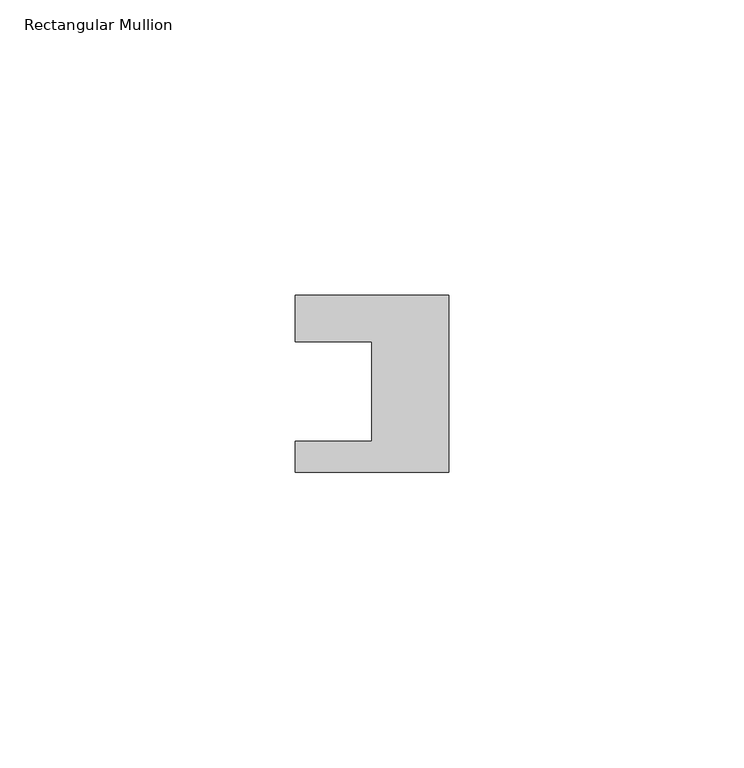
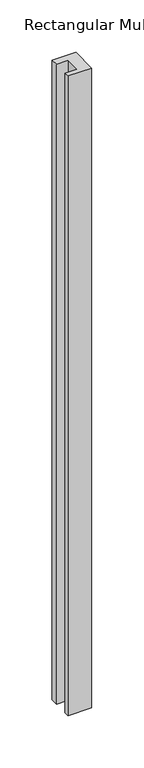
"""IFC4 building model written with IfcOpenShell, lengths in millimetres: member geometry, Rectangular Mullion."""

from ifc_helpers import new_model, si_unit, frame, origin, place, context, project, spatial, polyline, outline, extrude, source, transform, mapped, element, save


def rectangular_mullion_659e47c2(model_context):
    return source(origin(), model_context, "Body", "SweptSolid", [
        extrude(outline(polyline([(-26.0, 0.001), (-26.0, 7.94), (0.0, 7.94), (0.0, -22.06), (-26.0, -22.06), (-26.0, -16.8), (-13.0, -16.8), (-13.0, 0.001), (-26.0, 0.001)])), frame((0.0, 0.0, -745.0561012), z_axis=(0.0, 0.0, 1.0), x_axis=(1.0, 0.0, 0.0)), (0.0, 0.0, 1.0), 745.0561012),
    ])


if __name__ == "__main__":
    model = new_model("IFC4")
    model_context = context("Model", 3, world=origin())
    ifc_project = project(units=[si_unit("LENGTHUNIT", "METRE", prefix="MILLI")], contexts=[model_context])
    site = spatial("IfcSite", under=ifc_project)
    building = spatial("IfcBuilding", under=site)
    placement = place(None, origin())
    rectangular_mullion_shape = rectangular_mullion_659e47c2(model_context)
    element("IfcMember", 1, ObjectType="Rectangular Mullion", at=placement, inside=building, context=model_context, shape_type="MappedRepresentation", body=[
        mapped(rectangular_mullion_shape, transform((0.0, 0.0, 0.0), x_axis=(1.0, 0.0, 0.0), y_axis=(0.0, 1.0, 0.0), z_axis=(0.0, 0.0, 1.0))),
    ])
    save(model, "model.ifc")
